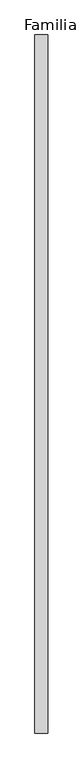
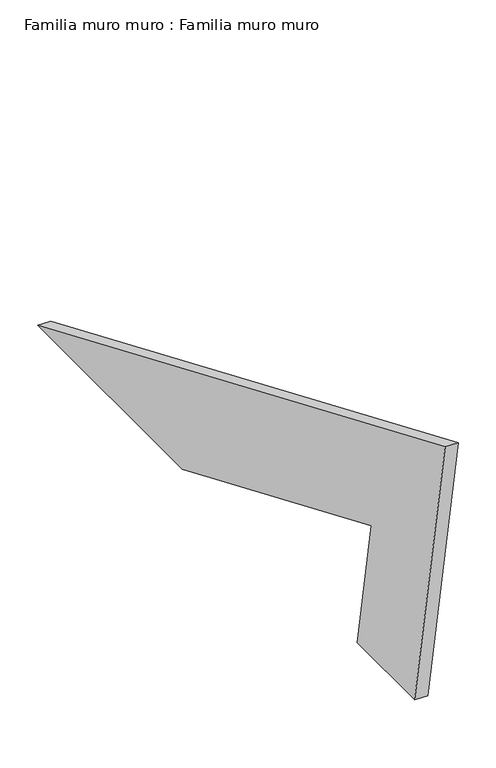
"""IFC4 building model written with IfcOpenShell, lengths in millimetres: plate geometry, Familia muro muro : Familia muro muro."""

from ifc_helpers import new_model, si_unit, frame, origin, place, context, project, spatial, polyline, outline, extrude, source, transform, mapped, element, save


def familia_muro_muro_familia_muro_muro_c3a3b5a0(model_context):
    return source(origin(), model_context, "Body", "SweptSolid", [
        extrude(outline(polyline([(-1080.9015494, 458.8154865), (0.0, 0.0), (-383.8956998, 0.0), (-885.2073628, 212.794176), (-847.6860082, 0.0), (-1000.0, 0.0), (-1080.9015494, 458.8154865)])), frame((0.0, 0.0, 0.0), z_axis=(1.0, 0.0, 0.0), x_axis=(0.0, 1.0, 0.0)), (0.0, 0.0, 1.0), 20.0),
    ])


if __name__ == "__main__":
    model = new_model("IFC4")
    model_context = context("Model", 3, world=origin())
    ifc_project = project(units=[si_unit("LENGTHUNIT", "METRE", prefix="MILLI")], contexts=[model_context])
    site = spatial("IfcSite", under=ifc_project)
    building = spatial("IfcBuilding", under=site)
    placement = place(None, origin())
    familia_muro_muro_familia_muro_muro_shape = familia_muro_muro_familia_muro_muro_c3a3b5a0(model_context)
    element("IfcPlate", 1, ObjectType="Familia muro muro : Familia muro muro", at=placement, inside=building, context=model_context, shape_type="MappedRepresentation", body=[
        mapped(familia_muro_muro_familia_muro_muro_shape, transform((0.0, 0.0, 0.0), x_axis=(1.0, 0.0, 0.0), y_axis=(0.0, 1.0, 0.0), z_axis=(0.0, 0.0, 1.0))),
    ])
    save(model, "model.ifc")
